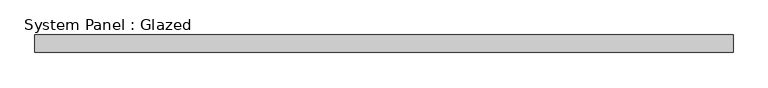
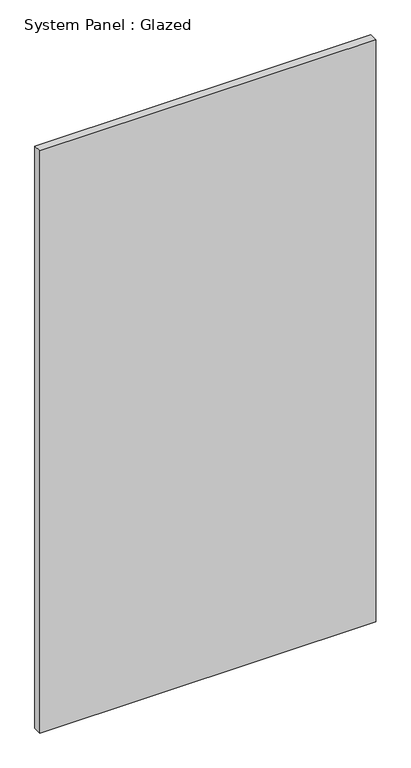
"""IFC4 building model written with IfcOpenShell, lengths in millimetres: plate geometry, System Panel : Glazed."""

import ifcopenshell
import ifcopenshell.guid

model = None  # the IFC model being written
_history = None  # IfcOwnerHistory: only IFC2X3 demands one
_inside = {}  # id of a spatial element -> (the spatial element, [elements in it])
_under = {}  # id of a project, library or spatial element -> (it, [spatial elements below it])
_declared = {}  # id of a project -> (the project, [libraries it declares])
_typed = {}  # id of a type object -> (the type object, [elements of that type])
_made_of = {}  # id of a material, layer set ... -> (it, [elements and type objects made of it])


def new_model(schema):
    """Start an empty IFC model of exactly this schema.

    Asked for "IFC4X3", IfcOpenShell would pick the latest addendum, in which some entities
    have other attributes; the version numbers below select the first issue.
    IFC2X3 requires an IfcOwnerHistory on every rooted entity: one is made here for all.
    """
    global model, _history
    if schema == "IFC4X3":
        model = ifcopenshell.file(schema_version=(4, 3, 0, 0))
    else:
        model = ifcopenshell.file(schema=schema)
    _inside.clear()
    _under.clear()
    _declared.clear()
    _typed.clear()
    _made_of.clear()
    _history = None
    if model.schema == "IFC2X3":
        org = make("IfcOrganization", Name="unknown")
        user = make(
            "IfcPersonAndOrganization",
            ThePerson=make("IfcPerson", FamilyName="unknown"),
            TheOrganization=org,
        )
        app = make(
            "IfcApplication",
            ApplicationDeveloper=org,
            Version="unknown",
            ApplicationFullName="unknown",
            ApplicationIdentifier="unknown",
        )
        _history = make(
            "IfcOwnerHistory",
            OwningUser=user,
            OwningApplication=app,
            ChangeAction="ADDED",
            CreationDate=0,
        )
    return model


def make(cls, **values):
    """One entity of the class cls with the attributes given. An attribute that is None is left unset."""
    return model.create_entity(
        cls, **{name: value for name, value in values.items() if value is not None}
    )


def rooted(cls, **values):
    """An entity with a GlobalId (a new one), such as an element, a storey or a relation."""
    return make(cls, GlobalId=ifcopenshell.guid.new(), OwnerHistory=_history, **values)


def si_unit(unit_type, name, prefix=None):
    """IfcSIUnit, for example si_unit("LENGTHUNIT", "METRE", prefix="MILLI")."""
    return make("IfcSIUnit", UnitType=unit_type, Prefix=prefix, Name=name)


def assignment(units):
    """IfcUnitAssignment: the units of a project."""
    return None if units is None else make("IfcUnitAssignment", Units=units)


def point(xyz):
    """IfcCartesianPoint."""
    return None if xyz is None else make("IfcCartesianPoint", Coordinates=xyz)


def direction(xyz):
    """IfcDirection."""
    return None if xyz is None else make("IfcDirection", DirectionRatios=xyz)


def frame(location, z_axis=None, x_axis=None):
    """IfcAxis2Placement3D, a coordinate frame: its origin and axes. An axis left out is left unset."""
    return make(
        "IfcAxis2Placement3D",
        Location=point(location),
        Axis=direction(z_axis),
        RefDirection=direction(x_axis),
    )


def origin():
    """The frame at (0, 0, 0) with its axes left unset."""
    return frame((0.0, 0.0, 0.0))


def origin_with_axes():
    """The frame at (0, 0, 0) with the z axis (0, 0, 1) and the x axis (1, 0, 0) written out."""
    return frame((0.0, 0.0, 0.0), z_axis=(0.0, 0.0, 1.0), x_axis=(1.0, 0.0, 0.0))


def place(relative_to, where):
    """IfcLocalPlacement: puts the frame where relative to a parent placement (None: the world)."""
    return make(
        "IfcLocalPlacement", PlacementRelTo=relative_to, RelativePlacement=where
    )


def context(
    kind, dimensions, precision=None, world=None, true_north=None, identifier=None
):
    """IfcGeometricRepresentationContext, for example the 3D "Model" context."""
    return make(
        "IfcGeometricRepresentationContext",
        ContextIdentifier=identifier,
        ContextType=kind,
        CoordinateSpaceDimension=dimensions,
        Precision=precision,
        WorldCoordinateSystem=world,
        TrueNorth=true_north,
    )


def project(units=None, contexts=None):
    """IfcProject with its units and contexts."""
    return rooted(
        "IfcProject",
        Name="project",
        RepresentationContexts=contexts,
        UnitsInContext=assignment(units),
    )


def spatial(cls, under=None, at=None, **own):
    """A site, building, storey or space (cls), placed at a placement, below another one or the project."""
    s = rooted(cls, ObjectPlacement=at, **own)
    if under is not None:
        _under.setdefault(under.id(), (under, []))[1].append(s)
    return s


def polyline(points):
    """IfcPolyline through the points."""
    return make("IfcPolyline", Points=[point(p) for p in points])


def outline(outer, holes=None, kind="AREA"):
    """IfcArbitraryClosedProfileDef: a profile drawn as a closed curve; with holes, ...WithVoids."""
    if holes is None:
        return make("IfcArbitraryClosedProfileDef", ProfileType=kind, OuterCurve=outer)
    return make(
        "IfcArbitraryProfileDefWithVoids",
        ProfileType=kind,
        OuterCurve=outer,
        InnerCurves=holes,
    )


def extrude(swept, where, along, depth):
    """IfcExtrudedAreaSolid: the profile swept, set in the frame where, extruded along a direction by depth."""
    return make(
        "IfcExtrudedAreaSolid",
        SweptArea=swept,
        Position=where,
        ExtrudedDirection=direction(along),
        Depth=depth,
    )


def shape(context_of_items, identifier, shape_type, items):
    """IfcShapeRepresentation: the items that make up one representation, for example the "Body"."""
    return make(
        "IfcShapeRepresentation",
        ContextOfItems=context_of_items,
        RepresentationIdentifier=identifier,
        RepresentationType=shape_type,
        Items=items,
    )


def source(mapping_origin, context_of_items, identifier, shape_type, items):
    """IfcRepresentationMap: a shape defined once, which mapped items show again and again."""
    return make(
        "IfcRepresentationMap",
        MappingOrigin=mapping_origin,
        MappedRepresentation=shape(context_of_items, identifier, shape_type, items),
    )


def transform(
    local_origin,
    x_axis=None,
    y_axis=None,
    z_axis=None,
    scale=None,
    scale2=None,
    scale3=None,
    uniform=True,
):
    """IfcCartesianTransformationOperator3D, or its non-uniform kind. x_axis, y_axis, z_axis: its Axis1, 2, 3."""
    if uniform:
        return make(
            "IfcCartesianTransformationOperator3D",
            Axis1=direction(x_axis),
            Axis2=direction(y_axis),
            LocalOrigin=point(local_origin),
            Scale=scale,
            Axis3=direction(z_axis),
        )
    return make(
        "IfcCartesianTransformationOperator3DnonUniform",
        Axis1=direction(x_axis),
        Axis2=direction(y_axis),
        LocalOrigin=point(local_origin),
        Scale=scale,
        Axis3=direction(z_axis),
        Scale2=scale2,
        Scale3=scale3,
    )


def mapped(mapping_source, mapping_target):
    """IfcMappedItem: shows the shape of a source again, moved by a transform."""
    return make(
        "IfcMappedItem", MappingSource=mapping_source, MappingTarget=mapping_target
    )


def made_of(thing, what):
    """Note that an element or type object is made of a material, layer set ...; save() writes the relation."""
    if what is not None:
        _made_of.setdefault(what.id(), (what, []))[1].append(thing)
    return thing


def element(
    cls,
    number,
    at=None,
    inside=None,
    cuts=None,
    type_object=None,
    material=None,
    context=None,
    identifier="Body",
    shape_type=None,
    held_by="IfcProductDefinitionShape",
    body=None,
    shapes=None,
    **own,
):
    """One element of the class cls, such as IfcWall. Its Tag is "e" and its number.

    at: its placement. inside: the storey or other place that contains it. cuts: it is an
    opening in that element (IfcRelVoidsElement). A single representation is given by context,
    identifier, shape_type and body (its items); several are given by shapes. held_by: the class
    of the entity that holds the representations. save() writes the other relations.
    """
    e = rooted(cls, Tag="e%d" % number, ObjectPlacement=at, **own)
    if body is not None:
        shapes = [shape(context, identifier, shape_type, body)]
    if shapes is not None:
        e.Representation = make(held_by, Representations=shapes)
    if inside is not None:
        _inside.setdefault(inside.id(), (inside, []))[1].append(e)
    if cuts is not None:
        rooted(
            "IfcRelVoidsElement", RelatingBuildingElement=cuts, RelatedOpeningElement=e
        )
    if type_object is not None:
        _typed.setdefault(type_object.id(), (type_object, []))[1].append(e)
    return made_of(e, material)


def aggregate(whole, parts):
    """IfcRelAggregates: a whole, such as a stair, and the parts it consists of."""
    return rooted("IfcRelAggregates", RelatingObject=whole, RelatedObjects=parts)


def save(model, path):
    """Write the relations noted so far, then the file.

    IfcRelAggregates (storeys below a building ...), IfcRelContainedInSpatialStructure (elements
    in a storey), IfcRelDefinesByType, IfcRelAssociatesMaterial and IfcRelDeclares: one each for
    every whole, place, type object, material and project.
    """
    for whole, parts in _under.values():
        aggregate(whole, parts)
    for where, things in _inside.values():
        rooted(
            "IfcRelContainedInSpatialStructure",
            RelatedElements=things,
            RelatingStructure=where,
        )
    for kind, things in _typed.values():
        rooted("IfcRelDefinesByType", RelatedObjects=things, RelatingType=kind)
    for what, things in _made_of.values():
        rooted("IfcRelAssociatesMaterial", RelatedObjects=things, RelatingMaterial=what)
    for by, libraries in _declared.values():
        rooted("IfcRelDeclares", RelatingContext=by, RelatedDefinitions=libraries)
    model.write(path)


def system_panel_glazed_04054942(model_context):
    return source(origin(), model_context, "Body", "SweptSolid", [
        extrude(outline(polyline([(499.5094065, 24.5), (-499.5094065, 24.5), (-499.5094065, 49.5), (499.5094065, 49.5), (499.5094065, 24.5)])), origin_with_axes(), (0.0, 0.0, 1.0), 1830.508389),
    ])


if __name__ == "__main__":
    model = new_model("IFC4")
    model_context = context("Model", 3, world=origin())
    ifc_project = project(units=[si_unit("LENGTHUNIT", "METRE", prefix="MILLI")], contexts=[model_context])
    site = spatial("IfcSite", under=ifc_project)
    building = spatial("IfcBuilding", under=site)
    placement = place(None, origin())
    system_panel_glazed_shape = system_panel_glazed_04054942(model_context)
    element("IfcPlate", 1, ObjectType="System Panel : Glazed", at=placement, inside=building, context=model_context, shape_type="MappedRepresentation", body=[
        mapped(system_panel_glazed_shape, transform((0.0, 0.0, 0.0), x_axis=(1.0, 0.0, 0.0), y_axis=(0.0, 1.0, 0.0), z_axis=(0.0, 0.0, 1.0))),
    ])
    save(model, "model.ifc")
